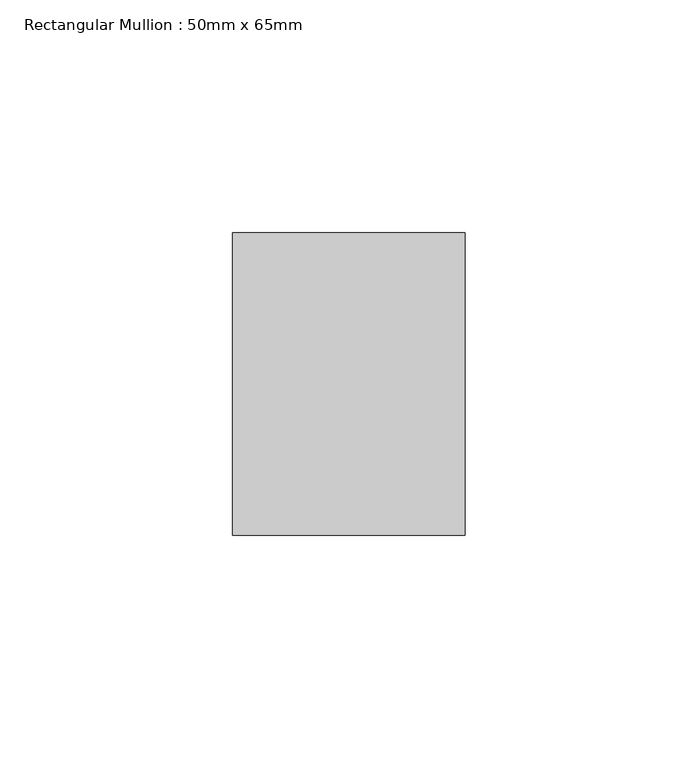
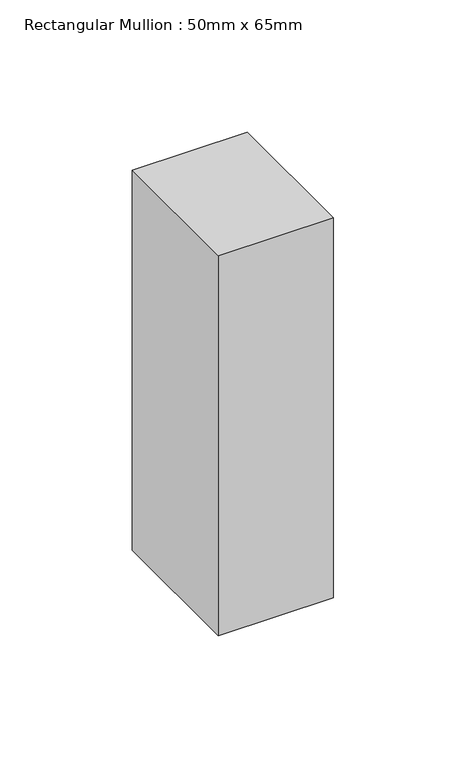
"""IFC4 building model written with IfcOpenShell, lengths in millimetres: member geometry, Rectangular Mullion : 50mm x 65mm."""

import ifcopenshell
import ifcopenshell.guid

model = None  # the IFC model being written
_history = None  # IfcOwnerHistory: only IFC2X3 demands one
_inside = {}  # id of a spatial element -> (the spatial element, [elements in it])
_under = {}  # id of a project, library or spatial element -> (it, [spatial elements below it])
_declared = {}  # id of a project -> (the project, [libraries it declares])
_typed = {}  # id of a type object -> (the type object, [elements of that type])
_made_of = {}  # id of a material, layer set ... -> (it, [elements and type objects made of it])


def new_model(schema):
    """Start an empty IFC model of exactly this schema.

    Asked for "IFC4X3", IfcOpenShell would pick the latest addendum, in which some entities
    have other attributes; the version numbers below select the first issue.
    IFC2X3 requires an IfcOwnerHistory on every rooted entity: one is made here for all.
    """
    global model, _history
    if schema == "IFC4X3":
        model = ifcopenshell.file(schema_version=(4, 3, 0, 0))
    else:
        model = ifcopenshell.file(schema=schema)
    _inside.clear()
    _under.clear()
    _declared.clear()
    _typed.clear()
    _made_of.clear()
    _history = None
    if model.schema == "IFC2X3":
        org = make("IfcOrganization", Name="unknown")
        user = make(
            "IfcPersonAndOrganization",
            ThePerson=make("IfcPerson", FamilyName="unknown"),
            TheOrganization=org,
        )
        app = make(
            "IfcApplication",
            ApplicationDeveloper=org,
            Version="unknown",
            ApplicationFullName="unknown",
            ApplicationIdentifier="unknown",
        )
        _history = make(
            "IfcOwnerHistory",
            OwningUser=user,
            OwningApplication=app,
            ChangeAction="ADDED",
            CreationDate=0,
        )
    return model


def make(cls, **values):
    """One entity of the class cls with the attributes given. An attribute that is None is left unset."""
    return model.create_entity(
        cls, **{name: value for name, value in values.items() if value is not None}
    )


def rooted(cls, **values):
    """An entity with a GlobalId (a new one), such as an element, a storey or a relation."""
    return make(cls, GlobalId=ifcopenshell.guid.new(), OwnerHistory=_history, **values)


def si_unit(unit_type, name, prefix=None):
    """IfcSIUnit, for example si_unit("LENGTHUNIT", "METRE", prefix="MILLI")."""
    return make("IfcSIUnit", UnitType=unit_type, Prefix=prefix, Name=name)


def assignment(units):
    """IfcUnitAssignment: the units of a project."""
    return None if units is None else make("IfcUnitAssignment", Units=units)


def point(xyz):
    """IfcCartesianPoint."""
    return None if xyz is None else make("IfcCartesianPoint", Coordinates=xyz)


def direction(xyz):
    """IfcDirection."""
    return None if xyz is None else make("IfcDirection", DirectionRatios=xyz)


def frame(location, z_axis=None, x_axis=None):
    """IfcAxis2Placement3D, a coordinate frame: its origin and axes. An axis left out is left unset."""
    return make(
        "IfcAxis2Placement3D",
        Location=point(location),
        Axis=direction(z_axis),
        RefDirection=direction(x_axis),
    )


def origin():
    """The frame at (0, 0, 0) with its axes left unset."""
    return frame((0.0, 0.0, 0.0))


def place(relative_to, where):
    """IfcLocalPlacement: puts the frame where relative to a parent placement (None: the world)."""
    return make(
        "IfcLocalPlacement", PlacementRelTo=relative_to, RelativePlacement=where
    )


def context(
    kind, dimensions, precision=None, world=None, true_north=None, identifier=None
):
    """IfcGeometricRepresentationContext, for example the 3D "Model" context."""
    return make(
        "IfcGeometricRepresentationContext",
        ContextIdentifier=identifier,
        ContextType=kind,
        CoordinateSpaceDimension=dimensions,
        Precision=precision,
        WorldCoordinateSystem=world,
        TrueNorth=true_north,
    )


def project(units=None, contexts=None):
    """IfcProject with its units and contexts."""
    return rooted(
        "IfcProject",
        Name="project",
        RepresentationContexts=contexts,
        UnitsInContext=assignment(units),
    )


def spatial(cls, under=None, at=None, **own):
    """A site, building, storey or space (cls), placed at a placement, below another one or the project."""
    s = rooted(cls, ObjectPlacement=at, **own)
    if under is not None:
        _under.setdefault(under.id(), (under, []))[1].append(s)
    return s


def polyline(points):
    """IfcPolyline through the points."""
    return make("IfcPolyline", Points=[point(p) for p in points])


def outline(outer, holes=None, kind="AREA"):
    """IfcArbitraryClosedProfileDef: a profile drawn as a closed curve; with holes, ...WithVoids."""
    if holes is None:
        return make("IfcArbitraryClosedProfileDef", ProfileType=kind, OuterCurve=outer)
    return make(
        "IfcArbitraryProfileDefWithVoids",
        ProfileType=kind,
        OuterCurve=outer,
        InnerCurves=holes,
    )


def extrude(swept, where, along, depth):
    """IfcExtrudedAreaSolid: the profile swept, set in the frame where, extruded along a direction by depth."""
    return make(
        "IfcExtrudedAreaSolid",
        SweptArea=swept,
        Position=where,
        ExtrudedDirection=direction(along),
        Depth=depth,
    )


def shape(context_of_items, identifier, shape_type, items):
    """IfcShapeRepresentation: the items that make up one representation, for example the "Body"."""
    return make(
        "IfcShapeRepresentation",
        ContextOfItems=context_of_items,
        RepresentationIdentifier=identifier,
        RepresentationType=shape_type,
        Items=items,
    )


def source(mapping_origin, context_of_items, identifier, shape_type, items):
    """IfcRepresentationMap: a shape defined once, which mapped items show again and again."""
    return make(
        "IfcRepresentationMap",
        MappingOrigin=mapping_origin,
        MappedRepresentation=shape(context_of_items, identifier, shape_type, items),
    )


def transform(
    local_origin,
    x_axis=None,
    y_axis=None,
    z_axis=None,
    scale=None,
    scale2=None,
    scale3=None,
    uniform=True,
):
    """IfcCartesianTransformationOperator3D, or its non-uniform kind. x_axis, y_axis, z_axis: its Axis1, 2, 3."""
    if uniform:
        return make(
            "IfcCartesianTransformationOperator3D",
            Axis1=direction(x_axis),
            Axis2=direction(y_axis),
            LocalOrigin=point(local_origin),
            Scale=scale,
            Axis3=direction(z_axis),
        )
    return make(
        "IfcCartesianTransformationOperator3DnonUniform",
        Axis1=direction(x_axis),
        Axis2=direction(y_axis),
        LocalOrigin=point(local_origin),
        Scale=scale,
        Axis3=direction(z_axis),
        Scale2=scale2,
        Scale3=scale3,
    )


def mapped(mapping_source, mapping_target):
    """IfcMappedItem: shows the shape of a source again, moved by a transform."""
    return make(
        "IfcMappedItem", MappingSource=mapping_source, MappingTarget=mapping_target
    )


def made_of(thing, what):
    """Note that an element or type object is made of a material, layer set ...; save() writes the relation."""
    if what is not None:
        _made_of.setdefault(what.id(), (what, []))[1].append(thing)
    return thing


def element(
    cls,
    number,
    at=None,
    inside=None,
    cuts=None,
    type_object=None,
    material=None,
    context=None,
    identifier="Body",
    shape_type=None,
    held_by="IfcProductDefinitionShape",
    body=None,
    shapes=None,
    **own,
):
    """One element of the class cls, such as IfcWall. Its Tag is "e" and its number.

    at: its placement. inside: the storey or other place that contains it. cuts: it is an
    opening in that element (IfcRelVoidsElement). A single representation is given by context,
    identifier, shape_type and body (its items); several are given by shapes. held_by: the class
    of the entity that holds the representations. save() writes the other relations.
    """
    e = rooted(cls, Tag="e%d" % number, ObjectPlacement=at, **own)
    if body is not None:
        shapes = [shape(context, identifier, shape_type, body)]
    if shapes is not None:
        e.Representation = make(held_by, Representations=shapes)
    if inside is not None:
        _inside.setdefault(inside.id(), (inside, []))[1].append(e)
    if cuts is not None:
        rooted(
            "IfcRelVoidsElement", RelatingBuildingElement=cuts, RelatedOpeningElement=e
        )
    if type_object is not None:
        _typed.setdefault(type_object.id(), (type_object, []))[1].append(e)
    return made_of(e, material)


def aggregate(whole, parts):
    """IfcRelAggregates: a whole, such as a stair, and the parts it consists of."""
    return rooted("IfcRelAggregates", RelatingObject=whole, RelatedObjects=parts)


def save(model, path):
    """Write the relations noted so far, then the file.

    IfcRelAggregates (storeys below a building ...), IfcRelContainedInSpatialStructure (elements
    in a storey), IfcRelDefinesByType, IfcRelAssociatesMaterial and IfcRelDeclares: one each for
    every whole, place, type object, material and project.
    """
    for whole, parts in _under.values():
        aggregate(whole, parts)
    for where, things in _inside.values():
        rooted(
            "IfcRelContainedInSpatialStructure",
            RelatedElements=things,
            RelatingStructure=where,
        )
    for kind, things in _typed.values():
        rooted("IfcRelDefinesByType", RelatedObjects=things, RelatingType=kind)
    for what, things in _made_of.values():
        rooted("IfcRelAssociatesMaterial", RelatedObjects=things, RelatingMaterial=what)
    for by, libraries in _declared.values():
        rooted("IfcRelDeclares", RelatingContext=by, RelatedDefinitions=libraries)
    model.write(path)


def rectangular_mullion_50mm_x_65mm_c5dc0945(model_context):
    return source(origin(), model_context, "Body", "SweptSolid", [
        extrude(outline(polyline([(0.0, 32.5), (0.0, -32.5), (-50.0, -32.5), (-50.0, 32.5), (0.0, 32.5)])), frame((0.0, 0.0, -175.0), z_axis=(0.0, 0.0, 1.0), x_axis=(1.0, 0.0, 0.0)), (0.0, 0.0, 1.0), 175.0),
    ])


if __name__ == "__main__":
    model = new_model("IFC4")
    model_context = context("Model", 3, world=origin())
    ifc_project = project(units=[si_unit("LENGTHUNIT", "METRE", prefix="MILLI")], contexts=[model_context])
    site = spatial("IfcSite", under=ifc_project)
    building = spatial("IfcBuilding", under=site)
    placement = place(None, origin())
    rectangular_mullion_50mm_x_65mm_shape = rectangular_mullion_50mm_x_65mm_c5dc0945(model_context)
    element("IfcMember", 1, ObjectType="Rectangular Mullion : 50mm x 65mm", at=placement, inside=building, context=model_context, shape_type="MappedRepresentation", body=[
        mapped(rectangular_mullion_50mm_x_65mm_shape, transform((0.0, 0.0, 0.0), x_axis=(1.0, 0.0, 0.0), y_axis=(0.0, 1.0, 0.0), z_axis=(0.0, 0.0, 1.0))),
    ])
    save(model, "model.ifc")
